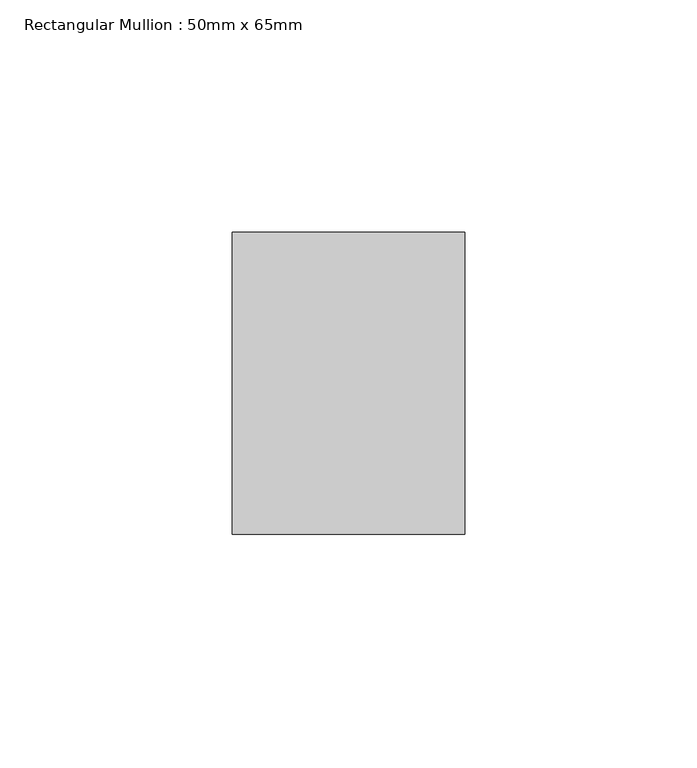
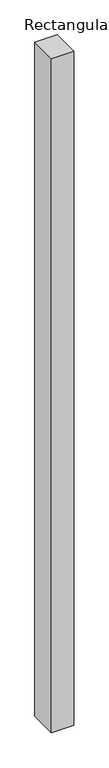
"""IFC4 building model written with IfcOpenShell, lengths in millimetres: member geometry, Rectangular Mullion : 50mm x 65mm."""

from ifc_helpers import new_model, si_unit, frame, origin, place, context, project, spatial, polyline, outline, extrude, source, transform, mapped, element, save


def rectangular_mullion_50mm_x_65mm_7fdc6337(model_context):
    return source(origin(), model_context, "Body", "SweptSolid", [
        extrude(outline(polyline([(25.0, 32.5), (25.0, -32.5), (-25.0, -32.5), (-25.0, 32.5), (25.0, 32.5)])), frame((0.0, 0.0, -1612.964063), z_axis=(0.0, 0.0, 1.0), x_axis=(1.0, 0.0, 0.0)), (0.0, 0.0, 1.0), 1612.964063),
    ])


if __name__ == "__main__":
    model = new_model("IFC4")
    model_context = context("Model", 3, world=origin())
    ifc_project = project(units=[si_unit("LENGTHUNIT", "METRE", prefix="MILLI")], contexts=[model_context])
    site = spatial("IfcSite", under=ifc_project)
    building = spatial("IfcBuilding", under=site)
    placement = place(None, origin())
    rectangular_mullion_50mm_x_65mm_shape = rectangular_mullion_50mm_x_65mm_7fdc6337(model_context)
    element("IfcMember", 1, ObjectType="Rectangular Mullion : 50mm x 65mm", at=placement, inside=building, context=model_context, shape_type="MappedRepresentation", body=[
        mapped(rectangular_mullion_50mm_x_65mm_shape, transform((0.0, 0.0, 0.0), x_axis=(1.0, 0.0, 0.0), y_axis=(0.0, 1.0, 0.0), z_axis=(0.0, 0.0, 1.0))),
    ])
    save(model, "model.ifc")
